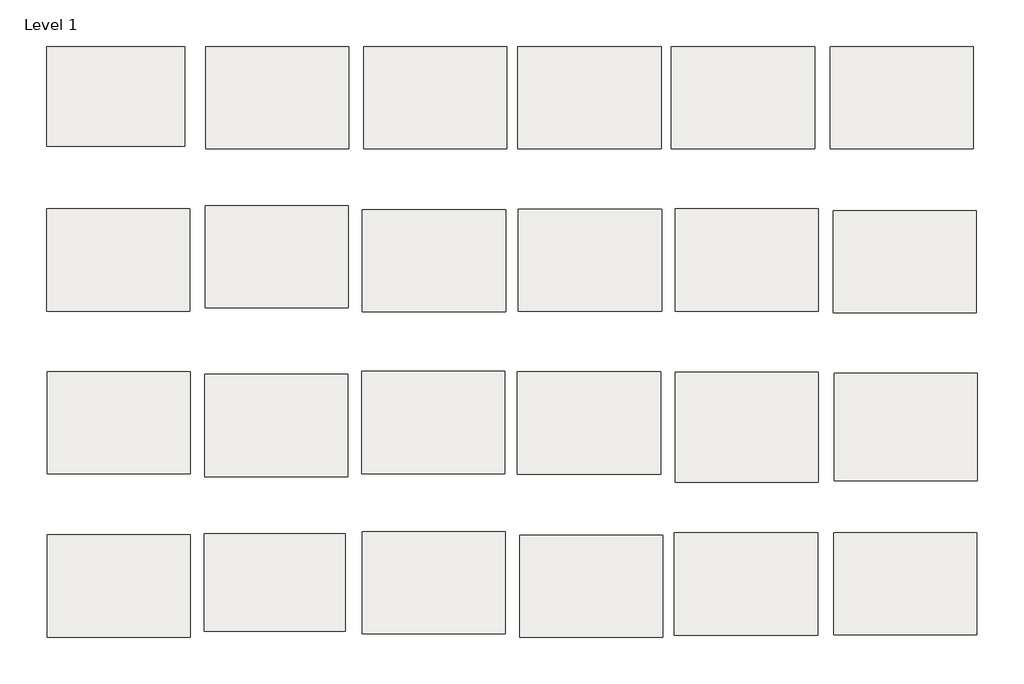
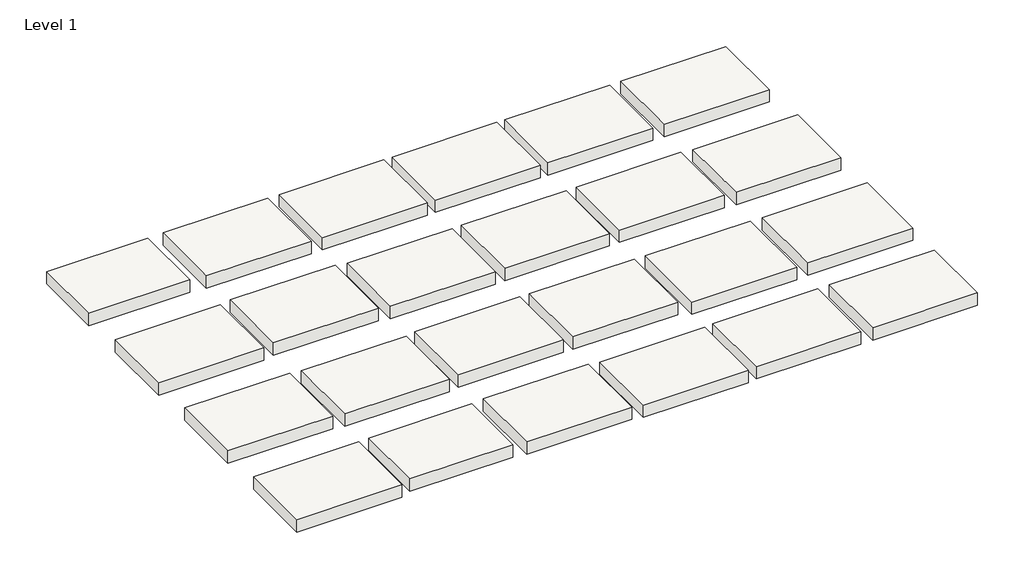
# One storey: 24 slabs.
"""IFC4 building model written with IfcOpenShell, lengths in millimetres."""

from ifc_helpers import new_model, si_unit, frame, origin, place, context, project, spatial, polyline, outline, extrude, element, save

model = new_model("IFC4")

# Units and contexts
model_context = context("Model", 3, world=origin())
ifc_project = project(units=[si_unit("LENGTHUNIT", "METRE", prefix="MILLI")], contexts=[model_context])

# Site, building, storey
site = spatial("IfcSite", under=ifc_project)
building = spatial("IfcBuilding", under=site)
storey = spatial("IfcBuildingStorey", under=building, Name="Level 1", Elevation=0.0)

# Slabs
placement = place(None, origin())
element("IfcSlab", 1, at=placement, inside=storey, context=model_context, shape_type="SweptSolid", body=[
    extrude(outline(polyline([(-3364.3530334, 13962.9566981), (-3364.3530334, 13715.3066981), (-3707.2530334, 13715.3066981), (-3707.2530334, 13962.9566981), (-3364.3530334, 13962.9566981)])), frame((0.0, 0.0, -44.45), z_axis=(0.0, 0.0, 1.0), x_axis=(1.0, 0.0, 0.0)), (0.0, 0.0, 1.0), 44.45),
])
element("IfcSlab", 2, at=placement, inside=storey, context=model_context, shape_type="SweptSolid", body=[
    extrude(outline(polyline([(-2956.7173371, 13962.9566981), (-2956.7173371, 13708.9566981), (-3312.3173371, 13708.9566981), (-3312.3173371, 13962.9566981), (-2956.7173371, 13962.9566981)])), frame((0.0, 0.0, -44.45), z_axis=(0.0, 0.0, 1.0), x_axis=(1.0, 0.0, 0.0)), (0.0, 0.0, 1.0), 44.45),
])
element("IfcSlab", 3, at=placement, inside=storey, context=model_context, shape_type="SweptSolid", body=[
    extrude(outline(polyline([(-2563.7988146, 13962.9566981), (-2563.7988146, 13708.9566981), (-2919.3988146, 13708.9566981), (-2919.3988146, 13962.9566981), (-2563.7988146, 13962.9566981)])), frame((0.0, 0.0, -44.45), z_axis=(0.0, 0.0, 1.0), x_axis=(1.0, 0.0, 0.0)), (0.0, 0.0, 1.0), 44.45),
])
element("IfcSlab", 4, at=placement, inside=storey, context=model_context, shape_type="SweptSolid", body=[
    extrude(outline(polyline([(-2180.5915798, 13962.9566981), (-2180.5915798, 13708.9566981), (-2536.1915798, 13708.9566981), (-2536.1915798, 13962.9566981), (-2180.5915798, 13962.9566981)])), frame((0.0, 0.0, -44.45), z_axis=(0.0, 0.0, 1.0), x_axis=(1.0, 0.0, 0.0)), (0.0, 0.0, 1.0), 44.45),
])
element("IfcSlab", 5, at=placement, inside=storey, context=model_context, shape_type="SweptSolid", body=[
    extrude(outline(polyline([(-3350.8774275, 13559.6618974), (-3350.8774275, 13305.6618974), (-3706.4774275, 13305.6618974), (-3706.4774275, 13559.6618974), (-3350.8774275, 13559.6618974)])), frame((0.0, 0.0, -44.45), z_axis=(0.0, 0.0, 1.0), x_axis=(1.0, 0.0, 0.0)), (0.0, 0.0, 1.0), 44.45),
])
element("IfcSlab", 6, at=placement, inside=storey, context=model_context, shape_type="SweptSolid", body=[
    extrude(outline(polyline([(-2566.8479783, 13557.8937247), (-2566.8479783, 13303.8937247), (-2922.4479783, 13303.8937247), (-2922.4479783, 13557.8937247), (-2566.8479783, 13557.8937247)])), frame((0.0, 0.0, -44.45), z_axis=(0.0, 0.0, 1.0), x_axis=(1.0, 0.0, 0.0)), (0.0, 0.0, 1.0), 44.45),
])
element("IfcSlab", 7, at=placement, inside=storey, context=model_context, shape_type="SweptSolid", body=[
    extrude(outline(polyline([(-2145.2769401, 13559.8997473), (-1789.6769401, 13559.8997473), (-1789.6769401, 13305.8997473), (-2145.2769401, 13305.8997473), (-2145.2769401, 13559.8997473)])), frame((0.0, 0.0, -44.45), z_axis=(0.0, 0.0, 1.0), x_axis=(1.0, 0.0, 0.0)), (0.0, 0.0, 1.0), 44.45),
])
element("IfcSlab", 8, at=placement, inside=storey, context=model_context, shape_type="SweptSolid", body=[
    extrude(outline(polyline([(-3314.1107438, 13148.7047122), (-2958.5107438, 13148.7047122), (-2958.5107438, 12894.7047122), (-3314.1107438, 12894.7047122), (-3314.1107438, 13148.7047122)])), frame((0.0, 0.0, -44.45), z_axis=(0.0, 0.0, 1.0), x_axis=(1.0, 0.0, 0.0)), (0.0, 0.0, 1.0), 44.45),
])
element("IfcSlab", 9, at=placement, inside=storey, context=model_context, shape_type="SweptSolid", body=[
    extrude(outline(polyline([(-3314.8231336, 12752.0641388), (-2965.5731336, 12752.0641388), (-2965.5731336, 12510.7641388), (-3314.8231336, 12510.7641388), (-3314.8231336, 12752.0641388)])), frame((0.0, 0.0, -44.45), z_axis=(0.0, 0.0, 1.0), x_axis=(1.0, 0.0, 0.0)), (0.0, 0.0, 1.0), 44.45),
])
element("IfcSlab", 10, at=placement, inside=storey, context=model_context, shape_type="SweptSolid", body=[
    extrude(outline(polyline([(-2922.6941664, 12757.8072737), (-2567.0941664, 12757.8072737), (-2567.0941664, 12503.8072737), (-2922.6941664, 12503.8072737), (-2922.6941664, 12757.8072737)])), frame((0.0, 0.0, -44.45), z_axis=(0.0, 0.0, 1.0), x_axis=(1.0, 0.0, 0.0)), (0.0, 0.0, 1.0), 44.45),
])
element("IfcSlab", 11, at=placement, inside=storey, context=model_context, shape_type="SweptSolid", body=[
    extrude(outline(polyline([(-2176.5776662, 12749.3917201), (-2176.5776662, 12495.3917201), (-2532.1776662, 12495.3917201), (-2532.1776662, 12749.3917201), (-2176.5776662, 12749.3917201)])), frame((0.0, 0.0, -44.45), z_axis=(0.0, 0.0, 1.0), x_axis=(1.0, 0.0, 0.0)), (0.0, 0.0, 1.0), 44.45),
])
element("IfcSlab", 12, at=placement, inside=storey, context=model_context, shape_type="SweptSolid", body=[
    extrude(outline(polyline([(-2147.14635, 12754.3915164), (-1791.54635, 12754.3915164), (-1791.54635, 12500.3915164), (-2147.14635, 12500.3915164), (-2147.14635, 12754.3915164)])), frame((0.0, 0.0, -44.45), z_axis=(0.0, 0.0, 1.0), x_axis=(1.0, 0.0, 0.0)), (0.0, 0.0, 1.0), 44.45),
])
element("IfcSlab", 13, at=placement, inside=storey, context=model_context, shape_type="SweptSolid", body=[
    extrude(outline(polyline([(-1751.5227337, 12755.5832695), (-1395.9227337, 12755.5832695), (-1395.9227337, 12501.5832695), (-1751.5227337, 12501.5832695), (-1751.5227337, 12755.5832695)])), frame((0.0, 0.0, -44.45), z_axis=(0.0, 0.0, 1.0), x_axis=(1.0, 0.0, 0.0)), (0.0, 0.0, 1.0), 44.45),
])
element("IfcSlab", 14, ObjectType="Edgewood - Base Grid GB 700 - 1.75 Thick HD Carpet Charcoal", at=placement, inside=storey, context=model_context, shape_type="SweptSolid", body=[
    extrude(outline(polyline([(-2957.5827134, 13567.4981121), (-2957.5827134, 13313.4981121), (-3313.1827134, 13313.4981121), (-3313.1827134, 13567.4981121), (-2957.5827134, 13567.4981121)])), frame((0.0, 0.0, -44.45), z_axis=(0.0, 0.0, 1.0), x_axis=(1.0, 0.0, 0.0)), (0.0, 0.0, 1.0), 44.45),
])
element("IfcSlab", 15, ObjectType="Edgewood - Base Grid GB 700 - 1.75 Thick HD Carpet Denim", at=placement, inside=storey, context=model_context, shape_type="SweptSolid", body=[
    extrude(outline(polyline([(-2179.2850597, 13559.0594449), (-2179.2850597, 13305.0594449), (-2534.8850597, 13305.0594449), (-2534.8850597, 13559.0594449), (-2179.2850597, 13559.0594449)])), frame((0.0, 0.0, -44.45), z_axis=(0.0, 0.0, 1.0), x_axis=(1.0, 0.0, 0.0)), (0.0, 0.0, 1.0), 44.45),
])
element("IfcSlab", 16, ObjectType="Edgewood - Base Grid GB 700 - 1.75 Thick HD Carpet Espresso", at=placement, inside=storey, context=model_context, shape_type="SweptSolid", body=[
    extrude(outline(polyline([(-1752.5486011, 13301.2729857), (-1752.5486011, 13555.2729857), (-1396.9486011, 13555.2729857), (-1396.9486011, 13301.2729857), (-1752.5486011, 13301.2729857)])), frame((0.0, 0.0, -44.45), z_axis=(0.0, 0.0, 1.0), x_axis=(1.0, 0.0, 0.0)), (0.0, 0.0, 1.0), 44.45),
])
element("IfcSlab", 17, ObjectType="Edgewood - Base Grid GB 700 - 1.75 Thick HD Carpet Java", at=placement, inside=storey, context=model_context, shape_type="SweptSolid", body=[
    extrude(outline(polyline([(-3349.8914798, 13155.599115), (-3349.8914798, 12901.599115), (-3705.4914798, 12901.599115), (-3705.4914798, 13155.599115), (-3349.8914798, 13155.599115)])), frame((0.0, 0.0, -44.45), z_axis=(0.0, 0.0, 1.0), x_axis=(1.0, 0.0, 0.0)), (0.0, 0.0, 1.0), 44.45),
])
element("IfcSlab", 18, ObjectType="Edgewood - Base Grid GB 700 - 1.75 Thick HD Carpet Onyx", at=placement, inside=storey, context=model_context, shape_type="SweptSolid", body=[
    extrude(outline(polyline([(-1799.024797, 13962.9566981), (-1799.024797, 13708.9566981), (-2154.624797, 13708.9566981), (-2154.624797, 13962.9566981), (-1799.024797, 13962.9566981)])), frame((0.0, 0.0, -44.45), z_axis=(0.0, 0.0, 1.0), x_axis=(1.0, 0.0, 0.0)), (0.0, 0.0, 1.0), 44.45),
])
element("IfcSlab", 19, ObjectType="Edgewood - Base Grid GB 700 - 1.75 Thick HD Carpet Shadow", at=placement, inside=storey, context=model_context, shape_type="SweptSolid", body=[
    extrude(outline(polyline([(-1404.8419448, 13962.9566981), (-1404.8419448, 13708.9566981), (-1760.4419448, 13708.9566981), (-1760.4419448, 13962.9566981), (-1404.8419448, 13962.9566981)])), frame((0.0, 0.0, -44.45), z_axis=(0.0, 0.0, 1.0), x_axis=(1.0, 0.0, 0.0)), (0.0, 0.0, 1.0), 44.45),
])
element("IfcSlab", 20, ObjectType="Edgewood - Base Grid GB 700 - 1.75 Thick HD Carpet Spice", at=placement, inside=storey, context=model_context, shape_type="SweptSolid", body=[
    extrude(outline(polyline([(-2924.4759602, 13155.8557832), (-2568.8759602, 13155.8557832), (-2568.8759602, 12901.8557832), (-2924.4759602, 12901.8557832), (-2924.4759602, 13155.8557832)])), frame((0.0, 0.0, -44.45), z_axis=(0.0, 0.0, 1.0), x_axis=(1.0, 0.0, 0.0)), (0.0, 0.0, 1.0), 44.45),
])
element("IfcSlab", 21, ObjectType="Edgewood - Base Grid GB 700 - 1.75 Thick HD Carpet Suede", at=placement, inside=storey, context=model_context, shape_type="SweptSolid", body=[
    extrude(outline(polyline([(-2537.3990801, 13154.8283851), (-2181.7990801, 13154.8283851), (-2181.7990801, 12900.8283851), (-2537.3990801, 12900.8283851), (-2537.3990801, 13154.8283851)])), frame((0.0, 0.0, -44.45), z_axis=(0.0, 0.0, 1.0), x_axis=(1.0, 0.0, 0.0)), (0.0, 0.0, 1.0), 44.45),
])
element("IfcSlab", 22, ObjectType="Edgewood - Base Grid GB 700 - 1.75 Thick Vinyl Black", at=placement, inside=storey, context=model_context, shape_type="SweptSolid", body=[
    extrude(outline(polyline([(-2145.2183535, 13153.9838019), (-1789.6183535, 13153.9838019), (-1789.6183535, 12880.9338019), (-2145.2183535, 12880.9338019), (-2145.2183535, 13153.9838019)])), frame((0.0, 0.0, -44.45), z_axis=(0.0, 0.0, 1.0), x_axis=(1.0, 0.0, 0.0)), (0.0, 0.0, 1.0), 44.45),
])
element("IfcSlab", 23, ObjectType="Edgewood - Base Grid GB 700 - 1.75 Thick Vinyl Brown", at=placement, inside=storey, context=model_context, shape_type="SweptSolid", body=[
    extrude(outline(polyline([(-1750.0156595, 13151.1153488), (-1394.4156595, 13151.1153488), (-1394.4156595, 12884.4153488), (-1750.0156595, 12884.4153488), (-1750.0156595, 13151.1153488)])), frame((0.0, 0.0, -44.45), z_axis=(0.0, 0.0, 1.0), x_axis=(1.0, 0.0, 0.0)), (0.0, 0.0, 1.0), 44.45),
])
element("IfcSlab", 24, ObjectType="Edgewood - Base Grid GB 700 - 1.75 Thick Vinyl Grey", at=placement, inside=storey, context=model_context, shape_type="SweptSolid", body=[
    extrude(outline(polyline([(-3705.8238509, 12749.6203437), (-3350.2238509, 12749.6203437), (-3350.2238509, 12495.6203437), (-3705.8238509, 12495.6203437), (-3705.8238509, 12749.6203437)])), frame((0.0, 0.0, -44.45), z_axis=(0.0, 0.0, 1.0), x_axis=(1.0, 0.0, 0.0)), (0.0, 0.0, 1.0), 44.45),
])

save(model, "model.ifc")
